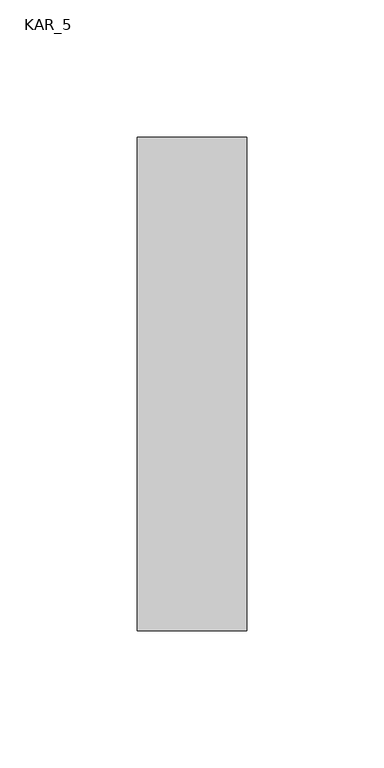
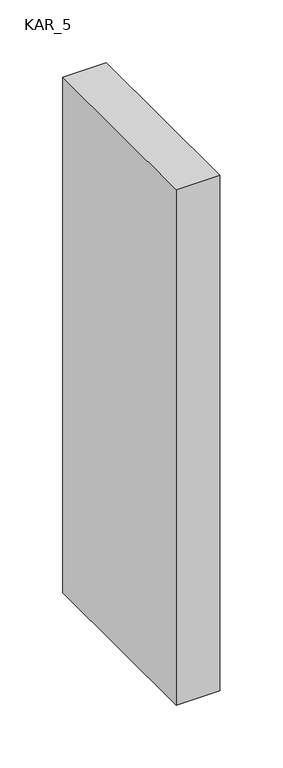
"""IFC4 building model written with IfcOpenShell, lengths in millimetres: proxy geometry, KAR_5."""

from ifc_helpers import new_model, si_unit, frame, origin, place, context, project, spatial, polyline, outline, extrude, source, transform, mapped, element, save


def kar_5_847bfee4(model_context):
    return source(origin(), model_context, "Body", "SweptSolid", [
        extrude(outline(polyline([(40.0, 180.0), (40.0, 0.0), (0.0, 0.0), (0.0, 180.0), (40.0, 180.0)])), frame((0.0, 0.0, 2100.0), z_axis=(0.0, 0.0, 1.0), x_axis=(1.0, 0.0, 0.0)), (0.0, 0.0, 1.0), 500.0),
    ])


if __name__ == "__main__":
    model = new_model("IFC4")
    model_context = context("Model", 3, world=origin())
    ifc_project = project(units=[si_unit("LENGTHUNIT", "METRE", prefix="MILLI")], contexts=[model_context])
    site = spatial("IfcSite", under=ifc_project)
    building = spatial("IfcBuilding", under=site)
    placement = place(None, origin())
    kar_5_shape = kar_5_847bfee4(model_context)
    element("IfcBuildingElementProxy", 1, Name="KAR_5", ObjectType="KAR_5", at=placement, inside=building, context=model_context, shape_type="MappedRepresentation", body=[
        mapped(kar_5_shape, transform((0.0, 0.0, 0.0), x_axis=(1.0, 0.0, 0.0), y_axis=(0.0, 1.0, 0.0), z_axis=(0.0, 0.0, 1.0))),
    ])
    save(model, "model.ifc")
